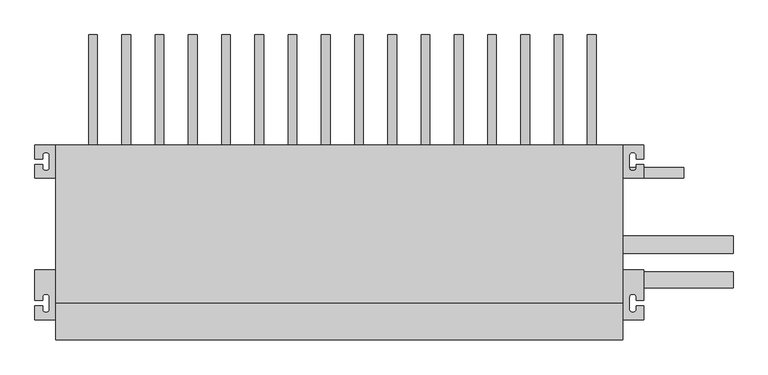
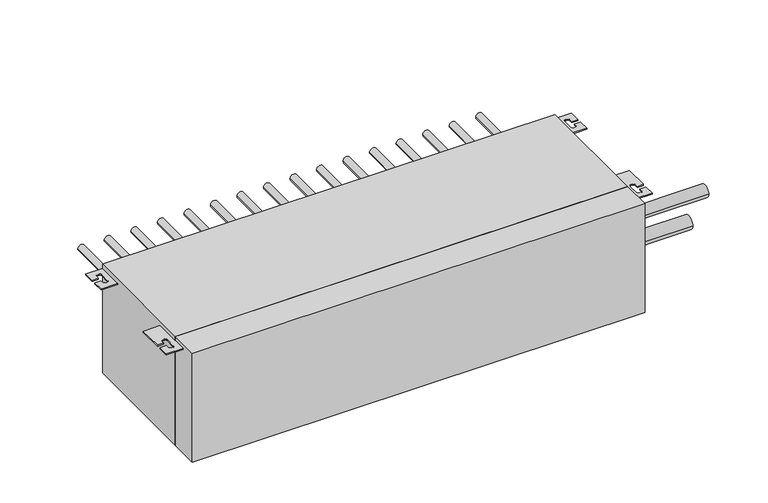
"""IFC4 building model written with IfcOpenShell, lengths in millimetres: proxy geometry."""

from ifc_helpers import new_model, si_unit, point, frame, frame_2d, origin, origin_with_axes, place, context, project, spatial, polyline, circle_curve, trimmed, segment, composite_curve, outline, extrude, source, transform, mapped, element, save


def mechanical_equipment_df5c79ec(model_context):
    return source(origin(), model_context, "Body", "SweptSolid", [
        extrude(outline(polyline([(1023.0, 67.0), (0.0, 67.0), (0.0, 352.0), (1023.0, 352.0), (1023.0, 67.0)])), origin_with_axes(), (0.0, 0.0, 1.0), 260.0),
        extrude(outline(composite_curve([segment(polyline([(0.0, 352.0), (0.0, 292.0), (-38.0, 292.0), (-38.0, 317.0), (-24.0, 317.0), (-24.0, 310.0)]), True, "CONTINUOUS"), segment(trimmed(circle_curve(frame_2d((-20.0, 310.0)), 4.0), [point((-24.0, 310.0))], [point((-20.0, 306.0))], True, "CARTESIAN"), True, "CONTINUOUS"), segment(polyline([(-20.0, 306.0), (-16.0, 306.0)]), True, "CONTINUOUS"), segment(trimmed(circle_curve(frame_2d((-16.0, 310.0)), 4.0), [point((-16.0, 306.0))], [point((-12.0, 310.0))], True, "CARTESIAN"), True, "CONTINUOUS"), segment(polyline([(-12.0, 310.0), (-12.0, 334.0)]), True, "CONTINUOUS"), segment(trimmed(circle_curve(frame_2d((-16.0, 334.0)), 4.0), [point((-12.0, 334.0))], [point((-16.0, 338.0))], True, "CARTESIAN"), True, "CONTINUOUS"), segment(polyline([(-16.0, 338.0), (-20.0, 338.0)]), True, "CONTINUOUS"), segment(trimmed(circle_curve(frame_2d((-20.0, 334.0)), 4.0), [point((-20.0, 338.0))], [point((-24.0, 334.0))], True, "CARTESIAN"), True, "CONTINUOUS"), segment(polyline([(-24.0, 334.0), (-24.0, 327.0), (-38.0, 327.0), (-38.0, 352.0), (0.0, 352.0)]), True, "CONTINUOUS")], self_intersect=False)), frame((0.0, 0.0, 247.5), z_axis=(0.0, 0.0, 1.0), x_axis=(1.0, 0.0, 0.0)), (0.0, 0.0, 1.0), 2.5),
        extrude(outline(composite_curve([segment(polyline([(1023.0, 352.0), (1061.0, 352.0), (1061.0, 327.0), (1047.0, 327.0), (1047.0, 334.0)]), True, "CONTINUOUS"), segment(trimmed(circle_curve(frame_2d((1043.0, 334.0)), 4.0), [point((1047.0, 334.0))], [point((1043.0, 338.0))], True, "CARTESIAN"), True, "CONTINUOUS"), segment(polyline([(1043.0, 338.0), (1039.0, 338.0)]), True, "CONTINUOUS"), segment(trimmed(circle_curve(frame_2d((1039.0, 334.0)), 4.0), [point((1039.0, 338.0))], [point((1035.0, 334.0))], True, "CARTESIAN"), True, "CONTINUOUS"), segment(polyline([(1035.0, 334.0), (1035.0, 310.0)]), True, "CONTINUOUS"), segment(trimmed(circle_curve(frame_2d((1039.0, 310.0)), 4.0), [point((1035.0, 310.0))], [point((1039.0, 306.0))], True, "CARTESIAN"), True, "CONTINUOUS"), segment(polyline([(1039.0, 306.0), (1043.0, 306.0)]), True, "CONTINUOUS"), segment(trimmed(circle_curve(frame_2d((1043.0, 310.0)), 4.0), [point((1043.0, 306.0))], [point((1047.0, 310.0))], True, "CARTESIAN"), True, "CONTINUOUS"), segment(polyline([(1047.0, 310.0), (1047.0, 317.0), (1061.0, 317.0), (1061.0, 292.0), (1023.0, 292.0), (1023.0, 352.0)]), True, "CONTINUOUS")], self_intersect=False)), frame((0.0, 0.0, 247.5), z_axis=(0.0, 0.0, 1.0), x_axis=(1.0, 0.0, 0.0)), (0.0, 0.0, 1.0), 2.5),
        extrude(outline(composite_curve([segment(polyline([(0.0, 36.0), (-38.0, 36.0), (-38.0, 61.0), (-24.0, 61.0), (-24.0, 54.0)]), True, "CONTINUOUS"), segment(trimmed(circle_curve(frame_2d((-20.0, 54.0)), 4.0), [point((-24.0, 54.0))], [point((-20.0, 50.0))], True, "CARTESIAN"), True, "CONTINUOUS"), segment(polyline([(-20.0, 50.0), (-16.0, 50.0)]), True, "CONTINUOUS"), segment(trimmed(circle_curve(frame_2d((-16.0, 54.0)), 4.0), [point((-16.0, 50.0))], [point((-12.0, 54.0))], True, "CARTESIAN"), True, "CONTINUOUS"), segment(polyline([(-12.0, 54.0), (-12.0, 78.0)]), True, "CONTINUOUS"), segment(trimmed(circle_curve(frame_2d((-16.0, 78.0)), 4.0), [point((-12.0, 78.0))], [point((-16.0, 82.0))], True, "CARTESIAN"), True, "CONTINUOUS"), segment(polyline([(-16.0, 82.0), (-20.0, 82.0)]), True, "CONTINUOUS"), segment(trimmed(circle_curve(frame_2d((-20.0, 78.0)), 4.0), [point((-20.0, 82.0))], [point((-24.0, 78.0))], True, "CARTESIAN"), True, "CONTINUOUS"), segment(polyline([(-24.0, 78.0), (-24.0, 71.0), (-38.0, 71.0), (-38.0, 126.0), (0.0, 126.0), (0.0, 36.0)]), True, "CONTINUOUS")], self_intersect=False)), frame((0.0, 0.0, 247.5), z_axis=(0.0, 0.0, 1.0), x_axis=(1.0, 0.0, 0.0)), (0.0, 0.0, 1.0), 2.5),
        extrude(outline(composite_curve([segment(polyline([(1023.0, 36.0), (1023.0, 126.0), (1061.0, 126.0), (1061.0, 71.0), (1047.0, 71.0), (1047.0, 78.0)]), True, "CONTINUOUS"), segment(trimmed(circle_curve(frame_2d((1043.0, 78.0)), 4.0), [point((1047.0, 78.0))], [point((1043.0, 82.0))], True, "CARTESIAN"), True, "CONTINUOUS"), segment(polyline([(1043.0, 82.0), (1039.0, 82.0)]), True, "CONTINUOUS"), segment(trimmed(circle_curve(frame_2d((1039.0, 78.0)), 4.0), [point((1039.0, 82.0))], [point((1035.0, 78.0))], True, "CARTESIAN"), True, "CONTINUOUS"), segment(polyline([(1035.0, 78.0), (1035.0, 54.0)]), True, "CONTINUOUS"), segment(trimmed(circle_curve(frame_2d((1039.0, 54.0)), 4.0), [point((1035.0, 54.0))], [point((1039.0, 50.0))], True, "CARTESIAN"), True, "CONTINUOUS"), segment(polyline([(1039.0, 50.0), (1043.0, 50.0)]), True, "CONTINUOUS"), segment(trimmed(circle_curve(frame_2d((1043.0, 54.0)), 4.0), [point((1043.0, 50.0))], [point((1047.0, 54.0))], True, "CARTESIAN"), True, "CONTINUOUS"), segment(polyline([(1047.0, 54.0), (1047.0, 61.0), (1061.0, 61.0), (1061.0, 36.0), (1023.0, 36.0)]), True, "CONTINUOUS")], self_intersect=False)), frame((0.0, 0.0, 247.5), z_axis=(0.0, 0.0, 1.0), x_axis=(1.0, 0.0, 0.0)), (0.0, 0.0, 1.0), 2.5),
        extrude(outline(polyline([(0.0, 0.0), (0.0, 67.0), (1023.0, 67.0), (1023.0, 0.0), (0.0, 0.0)])), origin_with_axes(), (0.0, 0.0, 1.0), 260.0),
        extrude(outline(composite_curve([segment(trimmed(circle_curve(frame_2d((155.0, 67.0)), 7.94), [point((155.0, 59.06))], [point((155.0, 74.94))], False, "CARTESIAN"), True, "CONTINUOUS"), segment(trimmed(circle_curve(frame_2d((155.0, 67.0)), 7.94), [point((155.0, 74.94))], [point((155.0, 59.06))], False, "CARTESIAN"), True, "CONTINUOUS")], self_intersect=False)), frame((0.0, 352.0, 0.0), z_axis=(0.0, 1.0, 0.0), x_axis=(0.0, 0.0, 1.0)), (0.0, 0.0, 1.0), 199.0),
        extrude(outline(composite_curve([segment(trimmed(circle_curve(frame_2d((155.0, 127.0)), 7.94), [point((155.0, 119.06))], [point((155.0, 134.94))], False, "CARTESIAN"), True, "CONTINUOUS"), segment(trimmed(circle_curve(frame_2d((155.0, 127.0)), 7.94), [point((155.0, 134.94))], [point((155.0, 119.06))], False, "CARTESIAN"), True, "CONTINUOUS")], self_intersect=False)), frame((0.0, 352.0, 0.0), z_axis=(0.0, 1.0, 0.0), x_axis=(0.0, 0.0, 1.0)), (0.0, 0.0, 1.0), 199.0),
        extrude(outline(composite_curve([segment(trimmed(circle_curve(frame_2d((155.0, 187.0)), 7.94), [point((155.0, 179.06))], [point((155.0, 194.94))], False, "CARTESIAN"), True, "CONTINUOUS"), segment(trimmed(circle_curve(frame_2d((155.0, 187.0)), 7.94), [point((155.0, 194.94))], [point((155.0, 179.06))], False, "CARTESIAN"), True, "CONTINUOUS")], self_intersect=False)), frame((0.0, 352.0, 0.0), z_axis=(0.0, 1.0, 0.0), x_axis=(0.0, 0.0, 1.0)), (0.0, 0.0, 1.0), 199.0),
        extrude(outline(composite_curve([segment(trimmed(circle_curve(frame_2d((155.0, 247.0)), 7.94), [point((155.0, 239.06))], [point((155.0, 254.94))], False, "CARTESIAN"), True, "CONTINUOUS"), segment(trimmed(circle_curve(frame_2d((155.0, 247.0)), 7.94), [point((155.0, 254.94))], [point((155.0, 239.06))], False, "CARTESIAN"), True, "CONTINUOUS")], self_intersect=False)), frame((0.0, 352.0, 0.0), z_axis=(0.0, 1.0, 0.0), x_axis=(0.0, 0.0, 1.0)), (0.0, 0.0, 1.0), 199.0),
        extrude(outline(composite_curve([segment(trimmed(circle_curve(frame_2d((155.0, 307.0)), 7.94), [point((155.0, 299.06))], [point((155.0, 314.94))], False, "CARTESIAN"), True, "CONTINUOUS"), segment(trimmed(circle_curve(frame_2d((155.0, 307.0)), 7.94), [point((155.0, 314.94))], [point((155.0, 299.06))], False, "CARTESIAN"), True, "CONTINUOUS")], self_intersect=False)), frame((0.0, 352.0, 0.0), z_axis=(0.0, 1.0, 0.0), x_axis=(0.0, 0.0, 1.0)), (0.0, 0.0, 1.0), 199.0),
        extrude(outline(composite_curve([segment(trimmed(circle_curve(frame_2d((155.0, 367.0)), 7.94), [point((155.0, 359.06))], [point((155.0, 374.94))], False, "CARTESIAN"), True, "CONTINUOUS"), segment(trimmed(circle_curve(frame_2d((155.0, 367.0)), 7.94), [point((155.0, 374.94))], [point((155.0, 359.06))], False, "CARTESIAN"), True, "CONTINUOUS")], self_intersect=False)), frame((0.0, 352.0, 0.0), z_axis=(0.0, 1.0, 0.0), x_axis=(0.0, 0.0, 1.0)), (0.0, 0.0, 1.0), 199.0),
        extrude(outline(composite_curve([segment(trimmed(circle_curve(frame_2d((155.0, 427.0)), 7.94), [point((155.0, 419.06))], [point((155.0, 434.94))], False, "CARTESIAN"), True, "CONTINUOUS"), segment(trimmed(circle_curve(frame_2d((155.0, 427.0)), 7.94), [point((155.0, 434.94))], [point((155.0, 419.06))], False, "CARTESIAN"), True, "CONTINUOUS")], self_intersect=False)), frame((0.0, 352.0, 0.0), z_axis=(0.0, 1.0, 0.0), x_axis=(0.0, 0.0, 1.0)), (0.0, 0.0, 1.0), 199.0),
        extrude(outline(composite_curve([segment(trimmed(circle_curve(frame_2d((155.0, 487.0)), 7.94), [point((155.0, 479.06))], [point((155.0, 494.94))], False, "CARTESIAN"), True, "CONTINUOUS"), segment(trimmed(circle_curve(frame_2d((155.0, 487.0)), 7.94), [point((155.0, 494.94))], [point((155.0, 479.06))], False, "CARTESIAN"), True, "CONTINUOUS")], self_intersect=False)), frame((0.0, 352.0, 0.0), z_axis=(0.0, 1.0, 0.0), x_axis=(0.0, 0.0, 1.0)), (0.0, 0.0, 1.0), 199.0),
        extrude(outline(composite_curve([segment(trimmed(circle_curve(frame_2d((155.0, 547.0)), 7.94), [point((155.0, 539.06))], [point((155.0, 554.94))], False, "CARTESIAN"), True, "CONTINUOUS"), segment(trimmed(circle_curve(frame_2d((155.0, 547.0)), 7.94), [point((155.0, 554.94))], [point((155.0, 539.06))], False, "CARTESIAN"), True, "CONTINUOUS")], self_intersect=False)), frame((0.0, 352.0, 0.0), z_axis=(0.0, 1.0, 0.0), x_axis=(0.0, 0.0, 1.0)), (0.0, 0.0, 1.0), 199.0),
        extrude(outline(composite_curve([segment(trimmed(circle_curve(frame_2d((155.0, 607.0)), 7.94), [point((155.0, 599.06))], [point((155.0, 614.94))], False, "CARTESIAN"), True, "CONTINUOUS"), segment(trimmed(circle_curve(frame_2d((155.0, 607.0)), 7.94), [point((155.0, 614.94))], [point((155.0, 599.06))], False, "CARTESIAN"), True, "CONTINUOUS")], self_intersect=False)), frame((0.0, 352.0, 0.0), z_axis=(0.0, 1.0, 0.0), x_axis=(0.0, 0.0, 1.0)), (0.0, 0.0, 1.0), 199.0),
        extrude(outline(composite_curve([segment(trimmed(circle_curve(frame_2d((155.0, 667.0)), 7.94), [point((155.0, 659.06))], [point((155.0, 674.94))], False, "CARTESIAN"), True, "CONTINUOUS"), segment(trimmed(circle_curve(frame_2d((155.0, 667.0)), 7.94), [point((155.0, 674.94))], [point((155.0, 659.06))], False, "CARTESIAN"), True, "CONTINUOUS")], self_intersect=False)), frame((0.0, 352.0, 0.0), z_axis=(0.0, 1.0, 0.0), x_axis=(0.0, 0.0, 1.0)), (0.0, 0.0, 1.0), 199.0),
        extrude(outline(composite_curve([segment(trimmed(circle_curve(frame_2d((155.0, 727.0)), 7.94), [point((155.0, 719.06))], [point((155.0, 734.94))], False, "CARTESIAN"), True, "CONTINUOUS"), segment(trimmed(circle_curve(frame_2d((155.0, 727.0)), 7.94), [point((155.0, 734.94))], [point((155.0, 719.06))], False, "CARTESIAN"), True, "CONTINUOUS")], self_intersect=False)), frame((0.0, 352.0, 0.0), z_axis=(0.0, 1.0, 0.0), x_axis=(0.0, 0.0, 1.0)), (0.0, 0.0, 1.0), 199.0),
        extrude(outline(composite_curve([segment(trimmed(circle_curve(frame_2d((155.0, 787.0)), 7.94), [point((155.0, 779.06))], [point((155.0, 794.94))], False, "CARTESIAN"), True, "CONTINUOUS"), segment(trimmed(circle_curve(frame_2d((155.0, 787.0)), 7.94), [point((155.0, 794.94))], [point((155.0, 779.06))], False, "CARTESIAN"), True, "CONTINUOUS")], self_intersect=False)), frame((0.0, 352.0, 0.0), z_axis=(0.0, 1.0, 0.0), x_axis=(0.0, 0.0, 1.0)), (0.0, 0.0, 1.0), 199.0),
        extrude(outline(composite_curve([segment(trimmed(circle_curve(frame_2d((155.0, 847.0)), 7.94), [point((155.0, 839.06))], [point((155.0, 854.94))], False, "CARTESIAN"), True, "CONTINUOUS"), segment(trimmed(circle_curve(frame_2d((155.0, 847.0)), 7.94), [point((155.0, 854.94))], [point((155.0, 839.06))], False, "CARTESIAN"), True, "CONTINUOUS")], self_intersect=False)), frame((0.0, 352.0, 0.0), z_axis=(0.0, 1.0, 0.0), x_axis=(0.0, 0.0, 1.0)), (0.0, 0.0, 1.0), 199.0),
        extrude(outline(composite_curve([segment(trimmed(circle_curve(frame_2d((155.0, 907.0)), 7.94), [point((155.0, 899.06))], [point((155.0, 914.94))], False, "CARTESIAN"), True, "CONTINUOUS"), segment(trimmed(circle_curve(frame_2d((155.0, 907.0)), 7.94), [point((155.0, 914.94))], [point((155.0, 899.06))], False, "CARTESIAN"), True, "CONTINUOUS")], self_intersect=False)), frame((0.0, 352.0, 0.0), z_axis=(0.0, 1.0, 0.0), x_axis=(0.0, 0.0, 1.0)), (0.0, 0.0, 1.0), 199.0),
        extrude(outline(composite_curve([segment(trimmed(circle_curve(frame_2d((155.0, 967.0)), 7.94), [point((155.0, 959.06))], [point((155.0, 974.94))], False, "CARTESIAN"), True, "CONTINUOUS"), segment(trimmed(circle_curve(frame_2d((155.0, 967.0)), 7.94), [point((155.0, 974.94))], [point((155.0, 959.06))], False, "CARTESIAN"), True, "CONTINUOUS")], self_intersect=False)), frame((0.0, 352.0, 0.0), z_axis=(0.0, 1.0, 0.0), x_axis=(0.0, 0.0, 1.0)), (0.0, 0.0, 1.0), 199.0),
        extrude(outline(composite_curve([segment(trimmed(circle_curve(frame_2d((60.0, 67.0)), 4.76), [point((60.0, 62.24))], [point((60.0, 71.76))], False, "CARTESIAN"), True, "CONTINUOUS"), segment(trimmed(circle_curve(frame_2d((60.0, 67.0)), 4.76), [point((60.0, 71.76))], [point((60.0, 62.24))], False, "CARTESIAN"), True, "CONTINUOUS")], self_intersect=False)), frame((0.0, 352.0, 0.0), z_axis=(0.0, 1.0, 0.0), x_axis=(0.0, 0.0, 1.0)), (0.0, 0.0, 1.0), 86.0),
        extrude(outline(composite_curve([segment(trimmed(circle_curve(frame_2d((60.0, 127.0)), 4.76), [point((60.0, 122.24))], [point((60.0, 131.76))], False, "CARTESIAN"), True, "CONTINUOUS"), segment(trimmed(circle_curve(frame_2d((60.0, 127.0)), 4.76), [point((60.0, 131.76))], [point((60.0, 122.24))], False, "CARTESIAN"), True, "CONTINUOUS")], self_intersect=False)), frame((0.0, 352.0, 0.0), z_axis=(0.0, 1.0, 0.0), x_axis=(0.0, 0.0, 1.0)), (0.0, 0.0, 1.0), 86.0),
        extrude(outline(composite_curve([segment(trimmed(circle_curve(frame_2d((60.0, 187.0)), 4.76), [point((60.0, 182.24))], [point((60.0, 191.76))], False, "CARTESIAN"), True, "CONTINUOUS"), segment(trimmed(circle_curve(frame_2d((60.0, 187.0)), 4.76), [point((60.0, 191.76))], [point((60.0, 182.24))], False, "CARTESIAN"), True, "CONTINUOUS")], self_intersect=False)), frame((0.0, 352.0, 0.0), z_axis=(0.0, 1.0, 0.0), x_axis=(0.0, 0.0, 1.0)), (0.0, 0.0, 1.0), 86.0),
        extrude(outline(composite_curve([segment(trimmed(circle_curve(frame_2d((60.0, 247.0)), 4.76), [point((60.0, 242.24))], [point((60.0, 251.76))], False, "CARTESIAN"), True, "CONTINUOUS"), segment(trimmed(circle_curve(frame_2d((60.0, 247.0)), 4.76), [point((60.0, 251.76))], [point((60.0, 242.24))], False, "CARTESIAN"), True, "CONTINUOUS")], self_intersect=False)), frame((0.0, 352.0, 0.0), z_axis=(0.0, 1.0, 0.0), x_axis=(0.0, 0.0, 1.0)), (0.0, 0.0, 1.0), 86.0),
        extrude(outline(composite_curve([segment(trimmed(circle_curve(frame_2d((60.0, 307.0)), 4.76), [point((60.0, 302.24))], [point((60.0, 311.76))], False, "CARTESIAN"), True, "CONTINUOUS"), segment(trimmed(circle_curve(frame_2d((60.0, 307.0)), 4.76), [point((60.0, 311.76))], [point((60.0, 302.24))], False, "CARTESIAN"), True, "CONTINUOUS")], self_intersect=False)), frame((0.0, 352.0, 0.0), z_axis=(0.0, 1.0, 0.0), x_axis=(0.0, 0.0, 1.0)), (0.0, 0.0, 1.0), 86.0),
        extrude(outline(composite_curve([segment(trimmed(circle_curve(frame_2d((60.0, 367.0)), 4.76), [point((60.0, 362.24))], [point((60.0, 371.76))], False, "CARTESIAN"), True, "CONTINUOUS"), segment(trimmed(circle_curve(frame_2d((60.0, 367.0)), 4.76), [point((60.0, 371.76))], [point((60.0, 362.24))], False, "CARTESIAN"), True, "CONTINUOUS")], self_intersect=False)), frame((0.0, 352.0, 0.0), z_axis=(0.0, 1.0, 0.0), x_axis=(0.0, 0.0, 1.0)), (0.0, 0.0, 1.0), 86.0),
        extrude(outline(composite_curve([segment(trimmed(circle_curve(frame_2d((60.0, 427.0)), 4.76), [point((60.0, 422.24))], [point((60.0, 431.76))], False, "CARTESIAN"), True, "CONTINUOUS"), segment(trimmed(circle_curve(frame_2d((60.0, 427.0)), 4.76), [point((60.0, 431.76))], [point((60.0, 422.24))], False, "CARTESIAN"), True, "CONTINUOUS")], self_intersect=False)), frame((0.0, 352.0, 0.0), z_axis=(0.0, 1.0, 0.0), x_axis=(0.0, 0.0, 1.0)), (0.0, 0.0, 1.0), 86.0),
        extrude(outline(composite_curve([segment(trimmed(circle_curve(frame_2d((60.0, 487.0)), 4.76), [point((60.0, 482.24))], [point((60.0, 491.76))], False, "CARTESIAN"), True, "CONTINUOUS"), segment(trimmed(circle_curve(frame_2d((60.0, 487.0)), 4.76), [point((60.0, 491.76))], [point((60.0, 482.24))], False, "CARTESIAN"), True, "CONTINUOUS")], self_intersect=False)), frame((0.0, 352.0, 0.0), z_axis=(0.0, 1.0, 0.0), x_axis=(0.0, 0.0, 1.0)), (0.0, 0.0, 1.0), 86.0),
        extrude(outline(composite_curve([segment(trimmed(circle_curve(frame_2d((60.0, 547.0)), 4.76), [point((60.0, 542.24))], [point((60.0, 551.76))], False, "CARTESIAN"), True, "CONTINUOUS"), segment(trimmed(circle_curve(frame_2d((60.0, 547.0)), 4.76), [point((60.0, 551.76))], [point((60.0, 542.24))], False, "CARTESIAN"), True, "CONTINUOUS")], self_intersect=False)), frame((0.0, 352.0, 0.0), z_axis=(0.0, 1.0, 0.0), x_axis=(0.0, 0.0, 1.0)), (0.0, 0.0, 1.0), 86.0),
        extrude(outline(composite_curve([segment(trimmed(circle_curve(frame_2d((60.0, 607.0)), 4.76), [point((60.0, 602.24))], [point((60.0, 611.76))], False, "CARTESIAN"), True, "CONTINUOUS"), segment(trimmed(circle_curve(frame_2d((60.0, 607.0)), 4.76), [point((60.0, 611.76))], [point((60.0, 602.24))], False, "CARTESIAN"), True, "CONTINUOUS")], self_intersect=False)), frame((0.0, 352.0, 0.0), z_axis=(0.0, 1.0, 0.0), x_axis=(0.0, 0.0, 1.0)), (0.0, 0.0, 1.0), 86.0),
        extrude(outline(composite_curve([segment(trimmed(circle_curve(frame_2d((60.0, 667.0)), 4.76), [point((60.0, 662.24))], [point((60.0, 671.76))], False, "CARTESIAN"), True, "CONTINUOUS"), segment(trimmed(circle_curve(frame_2d((60.0, 667.0)), 4.76), [point((60.0, 671.76))], [point((60.0, 662.24))], False, "CARTESIAN"), True, "CONTINUOUS")], self_intersect=False)), frame((0.0, 352.0, 0.0), z_axis=(0.0, 1.0, 0.0), x_axis=(0.0, 0.0, 1.0)), (0.0, 0.0, 1.0), 86.0),
        extrude(outline(composite_curve([segment(trimmed(circle_curve(frame_2d((60.0, 727.0)), 4.76), [point((60.0, 722.24))], [point((60.0, 731.76))], False, "CARTESIAN"), True, "CONTINUOUS"), segment(trimmed(circle_curve(frame_2d((60.0, 727.0)), 4.76), [point((60.0, 731.76))], [point((60.0, 722.24))], False, "CARTESIAN"), True, "CONTINUOUS")], self_intersect=False)), frame((0.0, 352.0, 0.0), z_axis=(0.0, 1.0, 0.0), x_axis=(0.0, 0.0, 1.0)), (0.0, 0.0, 1.0), 86.0),
        extrude(outline(composite_curve([segment(trimmed(circle_curve(frame_2d((60.0, 787.0)), 4.76), [point((60.0, 782.24))], [point((60.0, 791.76))], False, "CARTESIAN"), True, "CONTINUOUS"), segment(trimmed(circle_curve(frame_2d((60.0, 787.0)), 4.76), [point((60.0, 791.76))], [point((60.0, 782.24))], False, "CARTESIAN"), True, "CONTINUOUS")], self_intersect=False)), frame((0.0, 352.0, 0.0), z_axis=(0.0, 1.0, 0.0), x_axis=(0.0, 0.0, 1.0)), (0.0, 0.0, 1.0), 86.0),
        extrude(outline(composite_curve([segment(trimmed(circle_curve(frame_2d((60.0, 847.0)), 4.76), [point((60.0, 842.24))], [point((60.0, 851.76))], False, "CARTESIAN"), True, "CONTINUOUS"), segment(trimmed(circle_curve(frame_2d((60.0, 847.0)), 4.76), [point((60.0, 851.76))], [point((60.0, 842.24))], False, "CARTESIAN"), True, "CONTINUOUS")], self_intersect=False)), frame((0.0, 352.0, 0.0), z_axis=(0.0, 1.0, 0.0), x_axis=(0.0, 0.0, 1.0)), (0.0, 0.0, 1.0), 86.0),
        extrude(outline(composite_curve([segment(trimmed(circle_curve(frame_2d((60.0, 907.0)), 4.76), [point((60.0, 902.24))], [point((60.0, 911.76))], False, "CARTESIAN"), True, "CONTINUOUS"), segment(trimmed(circle_curve(frame_2d((60.0, 907.0)), 4.76), [point((60.0, 911.76))], [point((60.0, 902.24))], False, "CARTESIAN"), True, "CONTINUOUS")], self_intersect=False)), frame((0.0, 352.0, 0.0), z_axis=(0.0, 1.0, 0.0), x_axis=(0.0, 0.0, 1.0)), (0.0, 0.0, 1.0), 86.0),
        extrude(outline(composite_curve([segment(trimmed(circle_curve(frame_2d((60.0, 967.0)), 4.76), [point((60.0, 962.24))], [point((60.0, 971.76))], False, "CARTESIAN"), True, "CONTINUOUS"), segment(trimmed(circle_curve(frame_2d((60.0, 967.0)), 4.76), [point((60.0, 971.76))], [point((60.0, 962.24))], False, "CARTESIAN"), True, "CONTINUOUS")], self_intersect=False)), frame((0.0, 352.0, 0.0), z_axis=(0.0, 1.0, 0.0), x_axis=(0.0, 0.0, 1.0)), (0.0, 0.0, 1.0), 86.0),
        extrude(outline(composite_curve([segment(trimmed(circle_curve(frame_2d((108.0, 156.0)), 14.285), [point((93.715, 156.0))], [point((122.285, 156.0))], False, "CARTESIAN"), True, "CONTINUOUS"), segment(trimmed(circle_curve(frame_2d((108.0, 156.0)), 14.285), [point((122.285, 156.0))], [point((93.715, 156.0))], False, "CARTESIAN"), True, "CONTINUOUS")], self_intersect=False)), frame((1023.0, 0.0, 0.0), z_axis=(1.0, 0.0, 0.0), x_axis=(0.0, 1.0, 0.0)), (0.0, 0.0, 1.0), 199.0),
        extrude(outline(composite_curve([segment(trimmed(circle_curve(frame_2d((172.0, 42.0)), 15.875), [point((156.125, 42.0))], [point((187.875, 42.0))], False, "CARTESIAN"), True, "CONTINUOUS"), segment(trimmed(circle_curve(frame_2d((172.0, 42.0)), 15.875), [point((187.875, 42.0))], [point((156.125, 42.0))], False, "CARTESIAN"), True, "CONTINUOUS")], self_intersect=False)), frame((1023.0, 0.0, 0.0), z_axis=(1.0, 0.0, 0.0), x_axis=(0.0, 1.0, 0.0)), (0.0, 0.0, 1.0), 199.0),
        extrude(outline(composite_curve([segment(trimmed(circle_curve(frame_2d((302.0, 60.0)), 9.525), [point((292.475, 60.0))], [point((311.525, 60.0))], False, "CARTESIAN"), True, "CONTINUOUS"), segment(trimmed(circle_curve(frame_2d((302.0, 60.0)), 9.525), [point((311.525, 60.0))], [point((292.475, 60.0))], False, "CARTESIAN"), True, "CONTINUOUS")], self_intersect=False)), frame((1023.0, 0.0, 0.0), z_axis=(1.0, 0.0, 0.0), x_axis=(0.0, 1.0, 0.0)), (0.0, 0.0, 1.0), 110.0),
    ])


if __name__ == "__main__":
    model = new_model("IFC4")
    model_context = context("Model", 3, world=origin())
    ifc_project = project(units=[si_unit("LENGTHUNIT", "METRE", prefix="MILLI")], contexts=[model_context])
    site = spatial("IfcSite", under=ifc_project)
    building = spatial("IfcBuilding", under=site)
    placement = place(None, origin())
    mechanical_equipment_shape = mechanical_equipment_df5c79ec(model_context)
    element("IfcBuildingElementProxy", 1, Name="Mechanical Equipment", at=placement, inside=building, context=model_context, shape_type="MappedRepresentation", body=[
        mapped(mechanical_equipment_shape, transform((0.0, 0.0, 0.0), x_axis=(1.0, 0.0, 0.0), y_axis=(0.0, 1.0, 0.0), z_axis=(0.0, 0.0, 1.0))),
    ])
    save(model, "model.ifc")
